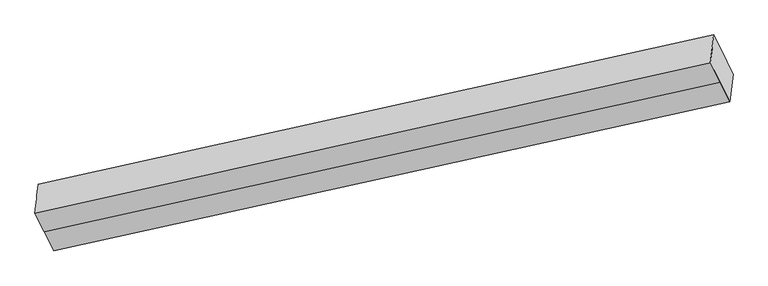
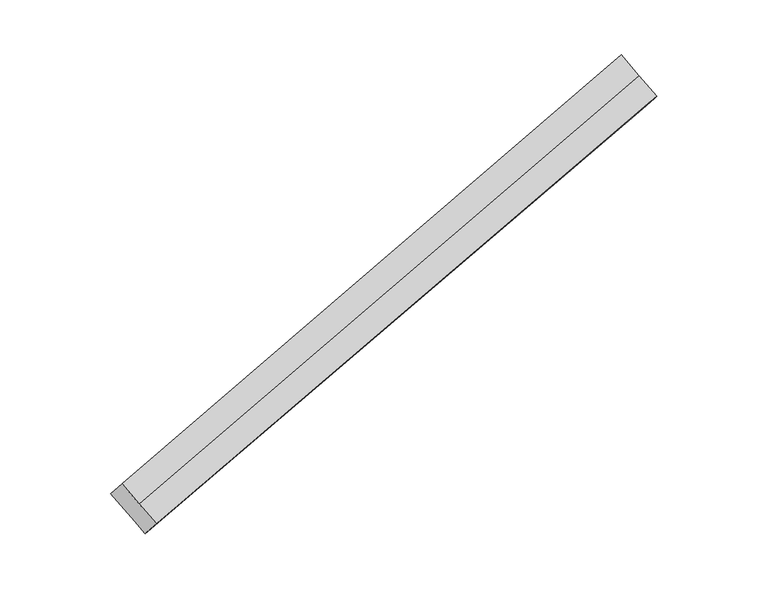
"""IFC4 building model written with IfcOpenShell, lengths in millimetres: proxy geometry."""

from ifc_helpers import new_model, si_unit, frame, origin, place, context, project, spatial, source, transform, mapped, element, save
from ifc_brep_helpers import plane_surface, spline_surface, advanced_brep


def generic_models_9f111ae7(model_context):
    return source(origin(), model_context, "Body", "AdvancedBrep", [
        advanced_brep(
        [(-5415.2228924, -2018.1565358, 1403.690084), (-5347.0137882, -2156.6138597, 1281.3840951), (-399.1029354, -1060.5906048, 2792.4648708), (-470.0861763, -916.5020743, 2919.7451743), (-5390.7939978, -1808.7231493, 1180.2234045), (-446.3586778, -714.407602, 2704.1953992), (-5296.3485462, -2000.4375053, 1010.8729271), (-352.0519894, -905.8402832, 2535.0937387), (-5254.3757895, -2085.6377971, 935.6114268), (-304.3921959, -1002.584663, 2449.6347922), (-5278.8046841, -2295.0711836, 1159.0781062), (-328.1196944, -1204.6791353, 2665.1845673)],
        [
            (0, 1),
            (1, 2),
            (2, 3),
            (3, 0),
            (4, 0),
            (3, 5),
            (5, 4),
            (6, 4),
            (5, 7),
            (7, 6),
            (8, 6),
            (7, 9),
            (9, 8),
            (10, 8),
            (9, 11),
            (11, 10),
            (1, 10),
            (11, 2),
        ],
        [
            plane_surface(frame((-5381.1183403, -2087.3851977, 1342.5370895), z_axis=(-0.07217931207314507, -0.6800513236475147, 0.7296028673969909), x_axis=(0.3463610975990514, -0.7030766826751995, -0.6210613241447397))),
            spline_surface(1, 1, [[(-5390.7939978, -1808.7231493, 1180.2234045), (-446.3586778, -714.407602, 2704.1953992)], [(-5415.2228924, -2018.1565358, 1403.690084), (-470.0861763, -916.5020743, 2919.7451743)]], [2, 2], [2, 2], [0.0, 1.0], [0.0, 1.0]),
            plane_surface(frame((-5343.571272, -1904.5803273, 1095.5481658), z_axis=(0.07409239169727352, 0.6804751232159257, -0.7290157228598358), x_axis=(-0.34636109759903205, 0.7030766826752171, 0.6210613241447306))),
            plane_surface(frame((-5275.3621678, -2043.0376512, 973.2421769), z_axis=(0.07409239169727075, 0.6804751232159318, -0.7290157228598305), x_axis=(-0.3463610975990996, 0.7030766826751965, 0.6210613241447162))),
            spline_surface(1, 1, [[(-5278.8046841, -2295.0711836, 1159.0781062), (-328.1196944, -1204.6791353, 2665.1845673)], [(-5254.3757895, -2085.6377971, 935.6114268), (-304.3921959, -1002.584663, 2449.6347922)]], [2, 2], [2, 2], [0.0, 1.0], [0.0, 1.0]),
            plane_surface(frame((-5312.9092362, -2225.8425216, 1220.2311006), z_axis=(-0.07217931207315093, -0.6800513236475024, 0.7296028673970016), x_axis=(0.3463610975990542, -0.7030766826752104, -0.6210613241447258))),
            plane_surface(frame((-387.2391861, -959.5433686, 2684.6899833), z_axis=(0.9346799644394144, 0.20214939239159424, 0.2924191977816171), x_axis=(-0.3463610975990547, 0.7030766826752101, 0.6210613241447257))),
            plane_surface(frame((-5334.7993409, -2051.8971664, 1169.6507554), z_axis=(-0.9347256432718396, -0.20253972500816592, -0.2920027938285219), x_axis=(-0.34636109759921846, 0.7030766826751721, 0.6210613241446774))),
        ],
        [
            (0, [[1, 2, 3, 4]]),
            (1, [[5, -4, 6, 7]]),
            (2, [[8, -7, 9, 10]]),
            (3, [[11, -10, 12, 13]]),
            (4, [[14, -13, 15, 16]]),
            (5, [[17, -16, 18, -2]]),
            (6, [[-12, -9, -6, -3, -18, -15]]),
            (7, [[-1, -5, -8, -11, -14, -17]]),
        ],
    ),
    ])


if __name__ == "__main__":
    model = new_model("IFC4")
    model_context = context("Model", 3, world=origin())
    ifc_project = project(units=[si_unit("LENGTHUNIT", "METRE", prefix="MILLI")], contexts=[model_context])
    site = spatial("IfcSite", under=ifc_project)
    building = spatial("IfcBuilding", under=site)
    placement = place(None, origin())
    generic_models_shape = generic_models_9f111ae7(model_context)
    element("IfcBuildingElementProxy", 1, Name="Generic Models", at=placement, inside=building, context=model_context, shape_type="MappedRepresentation", body=[
        mapped(generic_models_shape, transform((0.0, 0.0, 0.0), x_axis=(1.0, 0.0, 0.0), y_axis=(0.0, 1.0, 0.0), z_axis=(0.0, 0.0, 1.0))),
    ])
    save(model, "model.ifc")
